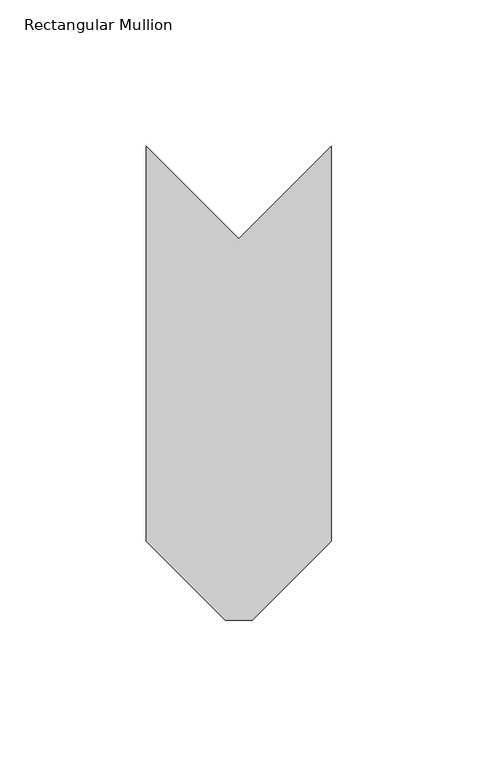
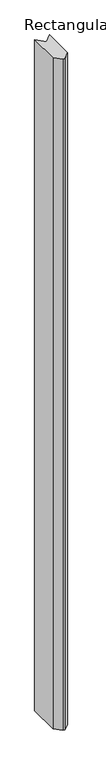
"""IFC4 building model written with IfcOpenShell, lengths in millimetres: member geometry, Rectangular Mullion."""

from ifc_helpers import new_model, si_unit, frame, origin, place, context, project, spatial, polyline, outline, extrude, source, transform, mapped, element, save


def rectangular_mullion_a04d4c43(model_context):
    return source(origin(), model_context, "Body", "SweptSolid", [
        extrude(outline(polyline([(-27.178, 38.2479605), (-36.322, 38.2479605), (-63.5, 65.4259605), (-63.5, 200.6686176), (-31.75, 168.9186176), (0.0, 200.6686176), (0.0, 65.4259605), (-27.178, 38.2479605)])), frame((0.0, 0.0, -3048.0), z_axis=(0.0, 0.0, 1.0), x_axis=(1.0, 0.0, 0.0)), (0.0, 0.0, 1.0), 3048.0),
    ])


if __name__ == "__main__":
    model = new_model("IFC4")
    model_context = context("Model", 3, world=origin())
    ifc_project = project(units=[si_unit("LENGTHUNIT", "METRE", prefix="MILLI")], contexts=[model_context])
    site = spatial("IfcSite", under=ifc_project)
    building = spatial("IfcBuilding", under=site)
    placement = place(None, origin())
    rectangular_mullion_shape = rectangular_mullion_a04d4c43(model_context)
    element("IfcMember", 1, ObjectType="Rectangular Mullion", at=placement, inside=building, context=model_context, shape_type="MappedRepresentation", body=[
        mapped(rectangular_mullion_shape, transform((0.0, 0.0, 0.0), x_axis=(1.0, 0.0, 0.0), y_axis=(0.0, 1.0, 0.0), z_axis=(0.0, 0.0, 1.0))),
    ])
    save(model, "model.ifc")
